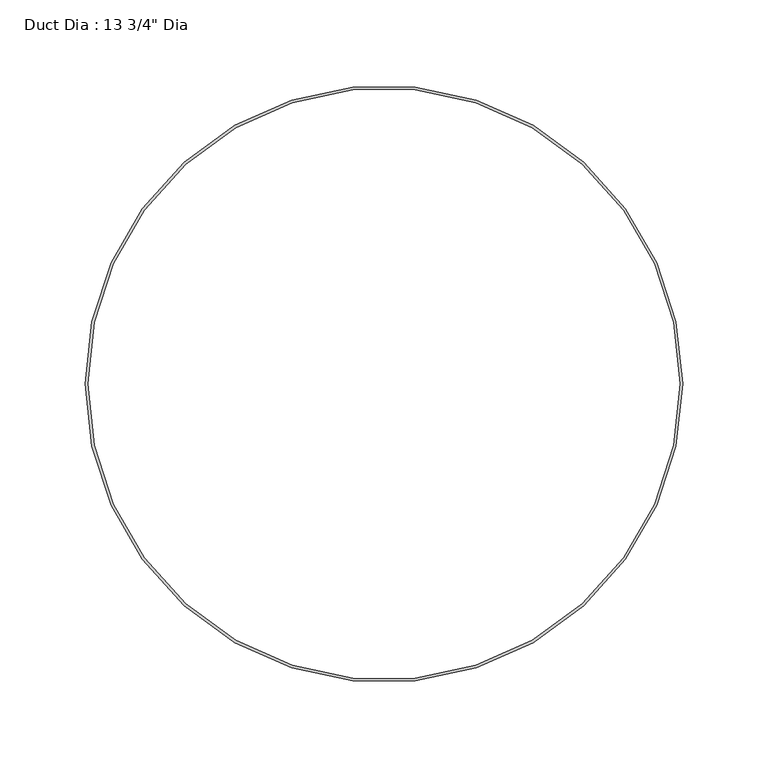
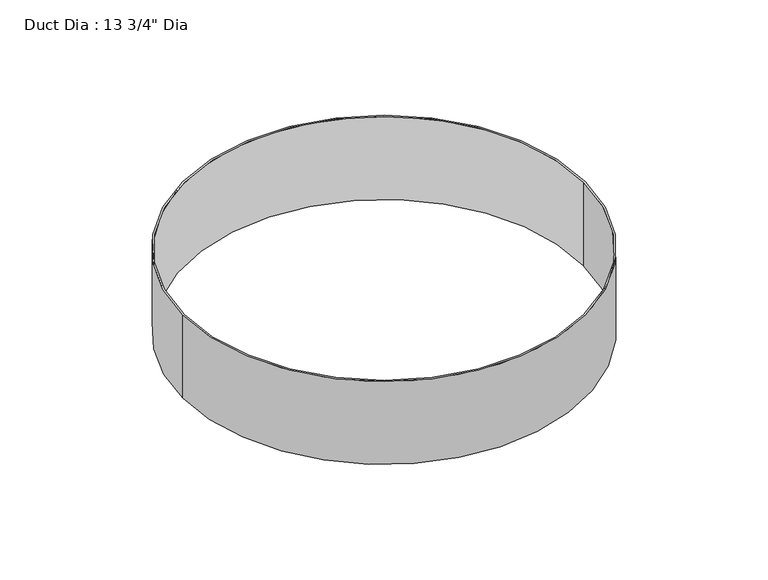
"""IFC4 building model written with IfcOpenShell, lengths in millimetres: proxy geometry."""

from ifc_helpers import new_model, si_unit, point, origin, origin_with_axes, origin_2d, place, context, project, spatial, circle_curve, trimmed, segment, composite_curve, outline, extrude, source, transform, mapped, element, save


def proxy_e21f73e4(model_context):
    return source(origin(), model_context, "Body", "SweptSolid", [
        extrude(outline(composite_curve([segment(trimmed(circle_curve(origin_2d(), 174.625), [point((-174.625, 0.0))], [point((174.625, 0.0))], False, "CARTESIAN"), True, "CONTINUOUS"), segment(trimmed(circle_curve(origin_2d(), 174.625), [point((174.625, 0.0))], [point((-174.625, 0.0))], False, "CARTESIAN"), True, "CONTINUOUS")], self_intersect=False), holes=[composite_curve([segment(trimmed(circle_curve(origin_2d(), 173.0375), [point((-173.0375, 0.0))], [point((173.0375, 0.0))], True, "CARTESIAN"), True, "CONTINUOUS"), segment(trimmed(circle_curve(origin_2d(), 173.0375), [point((173.0375, 0.0))], [point((-173.0375, 0.0))], True, "CARTESIAN"), True, "CONTINUOUS")], self_intersect=False)]), origin_with_axes(), (0.0, 0.0, 1.0), 76.2),
    ])


if __name__ == "__main__":
    model = new_model("IFC4")
    model_context = context("Model", 3, world=origin())
    ifc_project = project(units=[si_unit("LENGTHUNIT", "METRE", prefix="MILLI")], contexts=[model_context])
    site = spatial("IfcSite", under=ifc_project)
    building = spatial("IfcBuilding", under=site)
    placement = place(None, origin())
    proxy_shape = proxy_e21f73e4(model_context)
    element("IfcBuildingElementProxy", 1, Name="Duct Dia : 13 3/4\" Dia", ObjectType="Duct Dia : 13 3/4\" Dia", at=placement, inside=building, context=model_context, shape_type="MappedRepresentation", body=[
        mapped(proxy_shape, transform((0.0, 0.0, 0.0), x_axis=(1.0, 0.0, 0.0), y_axis=(0.0, 1.0, 0.0), z_axis=(0.0, 0.0, 1.0))),
    ])
    save(model, "model.ifc")
